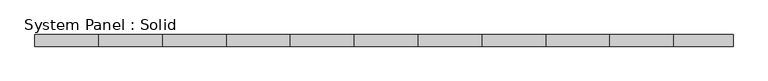
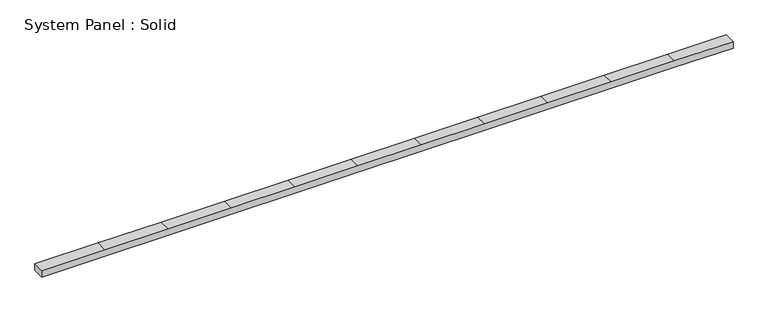
"""IFC4 building model written with IfcOpenShell, lengths in millimetres: plate geometry, System Panel : Solid."""

import ifcopenshell
import ifcopenshell.guid

model = None  # the IFC model being written
_history = None  # IfcOwnerHistory: only IFC2X3 demands one
_inside = {}  # id of a spatial element -> (the spatial element, [elements in it])
_under = {}  # id of a project, library or spatial element -> (it, [spatial elements below it])
_declared = {}  # id of a project -> (the project, [libraries it declares])
_typed = {}  # id of a type object -> (the type object, [elements of that type])
_made_of = {}  # id of a material, layer set ... -> (it, [elements and type objects made of it])


def new_model(schema):
    """Start an empty IFC model of exactly this schema.

    Asked for "IFC4X3", IfcOpenShell would pick the latest addendum, in which some entities
    have other attributes; the version numbers below select the first issue.
    IFC2X3 requires an IfcOwnerHistory on every rooted entity: one is made here for all.
    """
    global model, _history
    if schema == "IFC4X3":
        model = ifcopenshell.file(schema_version=(4, 3, 0, 0))
    else:
        model = ifcopenshell.file(schema=schema)
    _inside.clear()
    _under.clear()
    _declared.clear()
    _typed.clear()
    _made_of.clear()
    _history = None
    if model.schema == "IFC2X3":
        org = make("IfcOrganization", Name="unknown")
        user = make(
            "IfcPersonAndOrganization",
            ThePerson=make("IfcPerson", FamilyName="unknown"),
            TheOrganization=org,
        )
        app = make(
            "IfcApplication",
            ApplicationDeveloper=org,
            Version="unknown",
            ApplicationFullName="unknown",
            ApplicationIdentifier="unknown",
        )
        _history = make(
            "IfcOwnerHistory",
            OwningUser=user,
            OwningApplication=app,
            ChangeAction="ADDED",
            CreationDate=0,
        )
    return model


def make(cls, **values):
    """One entity of the class cls with the attributes given. An attribute that is None is left unset."""
    return model.create_entity(
        cls, **{name: value for name, value in values.items() if value is not None}
    )


def rooted(cls, **values):
    """An entity with a GlobalId (a new one), such as an element, a storey or a relation."""
    return make(cls, GlobalId=ifcopenshell.guid.new(), OwnerHistory=_history, **values)


def si_unit(unit_type, name, prefix=None):
    """IfcSIUnit, for example si_unit("LENGTHUNIT", "METRE", prefix="MILLI")."""
    return make("IfcSIUnit", UnitType=unit_type, Prefix=prefix, Name=name)


def assignment(units):
    """IfcUnitAssignment: the units of a project."""
    return None if units is None else make("IfcUnitAssignment", Units=units)


def point(xyz):
    """IfcCartesianPoint."""
    return None if xyz is None else make("IfcCartesianPoint", Coordinates=xyz)


def direction(xyz):
    """IfcDirection."""
    return None if xyz is None else make("IfcDirection", DirectionRatios=xyz)


def frame(location, z_axis=None, x_axis=None):
    """IfcAxis2Placement3D, a coordinate frame: its origin and axes. An axis left out is left unset."""
    return make(
        "IfcAxis2Placement3D",
        Location=point(location),
        Axis=direction(z_axis),
        RefDirection=direction(x_axis),
    )


def origin():
    """The frame at (0, 0, 0) with its axes left unset."""
    return frame((0.0, 0.0, 0.0))


def place(relative_to, where):
    """IfcLocalPlacement: puts the frame where relative to a parent placement (None: the world)."""
    return make(
        "IfcLocalPlacement", PlacementRelTo=relative_to, RelativePlacement=where
    )


def context(
    kind, dimensions, precision=None, world=None, true_north=None, identifier=None
):
    """IfcGeometricRepresentationContext, for example the 3D "Model" context."""
    return make(
        "IfcGeometricRepresentationContext",
        ContextIdentifier=identifier,
        ContextType=kind,
        CoordinateSpaceDimension=dimensions,
        Precision=precision,
        WorldCoordinateSystem=world,
        TrueNorth=true_north,
    )


def project(units=None, contexts=None):
    """IfcProject with its units and contexts."""
    return rooted(
        "IfcProject",
        Name="project",
        RepresentationContexts=contexts,
        UnitsInContext=assignment(units),
    )


def spatial(cls, under=None, at=None, **own):
    """A site, building, storey or space (cls), placed at a placement, below another one or the project."""
    s = rooted(cls, ObjectPlacement=at, **own)
    if under is not None:
        _under.setdefault(under.id(), (under, []))[1].append(s)
    return s


def polyline(points):
    """IfcPolyline through the points."""
    return make("IfcPolyline", Points=[point(p) for p in points])


def outline(outer, holes=None, kind="AREA"):
    """IfcArbitraryClosedProfileDef: a profile drawn as a closed curve; with holes, ...WithVoids."""
    if holes is None:
        return make("IfcArbitraryClosedProfileDef", ProfileType=kind, OuterCurve=outer)
    return make(
        "IfcArbitraryProfileDefWithVoids",
        ProfileType=kind,
        OuterCurve=outer,
        InnerCurves=holes,
    )


def extrude(swept, where, along, depth):
    """IfcExtrudedAreaSolid: the profile swept, set in the frame where, extruded along a direction by depth."""
    return make(
        "IfcExtrudedAreaSolid",
        SweptArea=swept,
        Position=where,
        ExtrudedDirection=direction(along),
        Depth=depth,
    )


def shape(context_of_items, identifier, shape_type, items):
    """IfcShapeRepresentation: the items that make up one representation, for example the "Body"."""
    return make(
        "IfcShapeRepresentation",
        ContextOfItems=context_of_items,
        RepresentationIdentifier=identifier,
        RepresentationType=shape_type,
        Items=items,
    )


def source(mapping_origin, context_of_items, identifier, shape_type, items):
    """IfcRepresentationMap: a shape defined once, which mapped items show again and again."""
    return make(
        "IfcRepresentationMap",
        MappingOrigin=mapping_origin,
        MappedRepresentation=shape(context_of_items, identifier, shape_type, items),
    )


def transform(
    local_origin,
    x_axis=None,
    y_axis=None,
    z_axis=None,
    scale=None,
    scale2=None,
    scale3=None,
    uniform=True,
):
    """IfcCartesianTransformationOperator3D, or its non-uniform kind. x_axis, y_axis, z_axis: its Axis1, 2, 3."""
    if uniform:
        return make(
            "IfcCartesianTransformationOperator3D",
            Axis1=direction(x_axis),
            Axis2=direction(y_axis),
            LocalOrigin=point(local_origin),
            Scale=scale,
            Axis3=direction(z_axis),
        )
    return make(
        "IfcCartesianTransformationOperator3DnonUniform",
        Axis1=direction(x_axis),
        Axis2=direction(y_axis),
        LocalOrigin=point(local_origin),
        Scale=scale,
        Axis3=direction(z_axis),
        Scale2=scale2,
        Scale3=scale3,
    )


def mapped(mapping_source, mapping_target):
    """IfcMappedItem: shows the shape of a source again, moved by a transform."""
    return make(
        "IfcMappedItem", MappingSource=mapping_source, MappingTarget=mapping_target
    )


def made_of(thing, what):
    """Note that an element or type object is made of a material, layer set ...; save() writes the relation."""
    if what is not None:
        _made_of.setdefault(what.id(), (what, []))[1].append(thing)
    return thing


def element(
    cls,
    number,
    at=None,
    inside=None,
    cuts=None,
    type_object=None,
    material=None,
    context=None,
    identifier="Body",
    shape_type=None,
    held_by="IfcProductDefinitionShape",
    body=None,
    shapes=None,
    **own,
):
    """One element of the class cls, such as IfcWall. Its Tag is "e" and its number.

    at: its placement. inside: the storey or other place that contains it. cuts: it is an
    opening in that element (IfcRelVoidsElement). A single representation is given by context,
    identifier, shape_type and body (its items); several are given by shapes. held_by: the class
    of the entity that holds the representations. save() writes the other relations.
    """
    e = rooted(cls, Tag="e%d" % number, ObjectPlacement=at, **own)
    if body is not None:
        shapes = [shape(context, identifier, shape_type, body)]
    if shapes is not None:
        e.Representation = make(held_by, Representations=shapes)
    if inside is not None:
        _inside.setdefault(inside.id(), (inside, []))[1].append(e)
    if cuts is not None:
        rooted(
            "IfcRelVoidsElement", RelatingBuildingElement=cuts, RelatedOpeningElement=e
        )
    if type_object is not None:
        _typed.setdefault(type_object.id(), (type_object, []))[1].append(e)
    return made_of(e, material)


def aggregate(whole, parts):
    """IfcRelAggregates: a whole, such as a stair, and the parts it consists of."""
    return rooted("IfcRelAggregates", RelatingObject=whole, RelatedObjects=parts)


def save(model, path):
    """Write the relations noted so far, then the file.

    IfcRelAggregates (storeys below a building ...), IfcRelContainedInSpatialStructure (elements
    in a storey), IfcRelDefinesByType, IfcRelAssociatesMaterial and IfcRelDeclares: one each for
    every whole, place, type object, material and project.
    """
    for whole, parts in _under.values():
        aggregate(whole, parts)
    for where, things in _inside.values():
        rooted(
            "IfcRelContainedInSpatialStructure",
            RelatedElements=things,
            RelatingStructure=where,
        )
    for kind, things in _typed.values():
        rooted("IfcRelDefinesByType", RelatedObjects=things, RelatingType=kind)
    for what, things in _made_of.values():
        rooted("IfcRelAssociatesMaterial", RelatedObjects=things, RelatingMaterial=what)
    for by, libraries in _declared.values():
        rooted("IfcRelDeclares", RelatingContext=by, RelatedDefinitions=libraries)
    model.write(path)


def system_panel_solid_e2335522(model_context):
    return source(origin(), model_context, "Body", "SweptSolid", [
        extrude(outline(polyline([(0.0, -3005.0000002), (0.0, -2454.9999998), (0.0, -1904.9999998), (0.0, -1354.9999998), (0.0, -804.9999998), (0.0, -254.9999998), (0.0, 295.0000002), (0.0, 845.0000002), (0.0, 1395.0000002), (0.0, 1945.0000002), (0.0, 2495.0000002), (0.0, 3005.0000002), (60.0, 3005.0000002), (60.0, 2495.0000002), (60.0, 1945.0000002), (60.0, 1395.0000002), (60.0, 845.0000002), (60.0, 295.0000002), (60.0, -254.9999998), (60.0, -804.9999998), (60.0, -1354.9999998), (60.0, -1904.9999998), (60.0, -2454.9999998), (60.0, -3005.0000002), (0.0, -3005.0000002)])), frame((0.0, 50.0, 0.0), z_axis=(0.0, 1.0, 0.0), x_axis=(0.0, 0.0, 1.0)), (0.0, 0.0, 1.0), 100.0),
    ])


if __name__ == "__main__":
    model = new_model("IFC4")
    model_context = context("Model", 3, world=origin())
    ifc_project = project(units=[si_unit("LENGTHUNIT", "METRE", prefix="MILLI")], contexts=[model_context])
    site = spatial("IfcSite", under=ifc_project)
    building = spatial("IfcBuilding", under=site)
    placement = place(None, origin())
    system_panel_solid_shape = system_panel_solid_e2335522(model_context)
    element("IfcPlate", 1, ObjectType="System Panel : Solid", at=placement, inside=building, context=model_context, shape_type="MappedRepresentation", body=[
        mapped(system_panel_solid_shape, transform((0.0, 0.0, 0.0), x_axis=(1.0, 0.0, 0.0), y_axis=(0.0, 1.0, 0.0), z_axis=(0.0, 0.0, 1.0))),
    ])
    save(model, "model.ifc")
